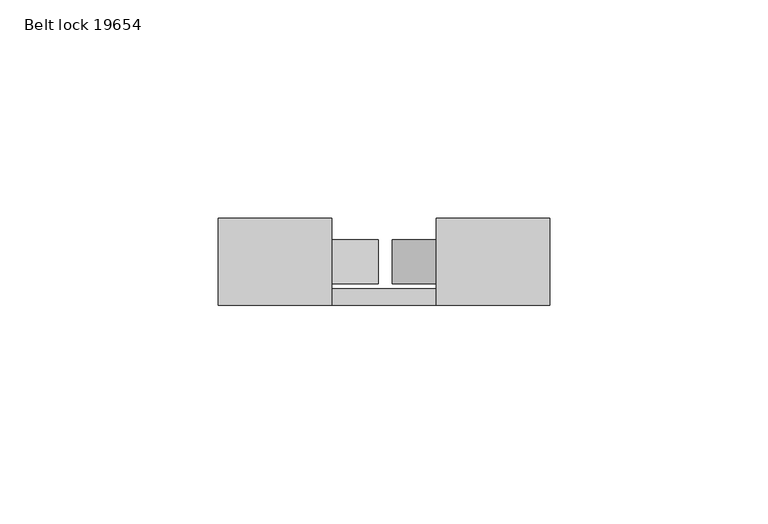
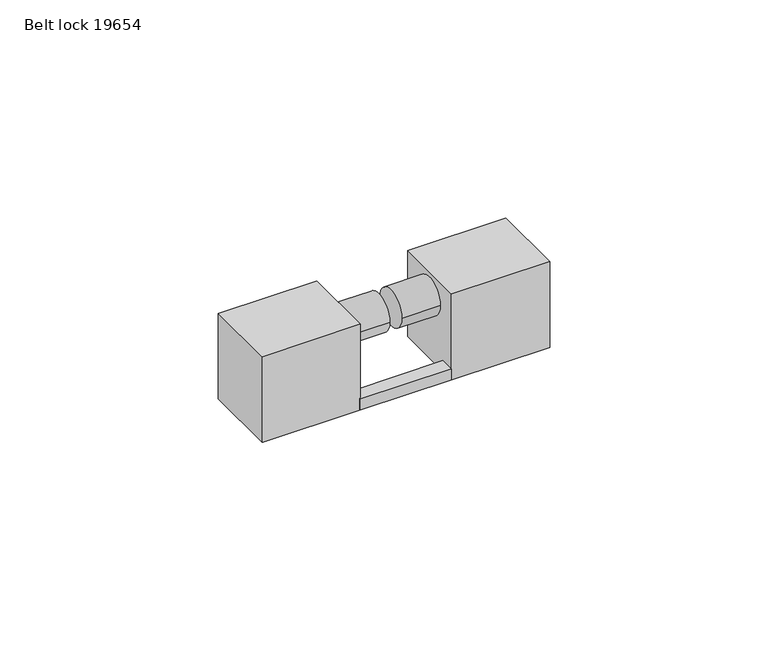
"""IFC4 building model written with IfcOpenShell, lengths in millimetres: proxy geometry, Belt lock 19654."""

import ifcopenshell
import ifcopenshell.guid

model = None  # the IFC model being written
_history = None  # IfcOwnerHistory: only IFC2X3 demands one
_inside = {}  # id of a spatial element -> (the spatial element, [elements in it])
_under = {}  # id of a project, library or spatial element -> (it, [spatial elements below it])
_declared = {}  # id of a project -> (the project, [libraries it declares])
_typed = {}  # id of a type object -> (the type object, [elements of that type])
_made_of = {}  # id of a material, layer set ... -> (it, [elements and type objects made of it])


def new_model(schema):
    """Start an empty IFC model of exactly this schema.

    Asked for "IFC4X3", IfcOpenShell would pick the latest addendum, in which some entities
    have other attributes; the version numbers below select the first issue.
    IFC2X3 requires an IfcOwnerHistory on every rooted entity: one is made here for all.
    """
    global model, _history
    if schema == "IFC4X3":
        model = ifcopenshell.file(schema_version=(4, 3, 0, 0))
    else:
        model = ifcopenshell.file(schema=schema)
    _inside.clear()
    _under.clear()
    _declared.clear()
    _typed.clear()
    _made_of.clear()
    _history = None
    if model.schema == "IFC2X3":
        org = make("IfcOrganization", Name="unknown")
        user = make(
            "IfcPersonAndOrganization",
            ThePerson=make("IfcPerson", FamilyName="unknown"),
            TheOrganization=org,
        )
        app = make(
            "IfcApplication",
            ApplicationDeveloper=org,
            Version="unknown",
            ApplicationFullName="unknown",
            ApplicationIdentifier="unknown",
        )
        _history = make(
            "IfcOwnerHistory",
            OwningUser=user,
            OwningApplication=app,
            ChangeAction="ADDED",
            CreationDate=0,
        )
    return model


def make(cls, **values):
    """One entity of the class cls with the attributes given. An attribute that is None is left unset."""
    return model.create_entity(
        cls, **{name: value for name, value in values.items() if value is not None}
    )


def rooted(cls, **values):
    """An entity with a GlobalId (a new one), such as an element, a storey or a relation."""
    return make(cls, GlobalId=ifcopenshell.guid.new(), OwnerHistory=_history, **values)


def si_unit(unit_type, name, prefix=None):
    """IfcSIUnit, for example si_unit("LENGTHUNIT", "METRE", prefix="MILLI")."""
    return make("IfcSIUnit", UnitType=unit_type, Prefix=prefix, Name=name)


def assignment(units):
    """IfcUnitAssignment: the units of a project."""
    return None if units is None else make("IfcUnitAssignment", Units=units)


def point(xyz):
    """IfcCartesianPoint."""
    return None if xyz is None else make("IfcCartesianPoint", Coordinates=xyz)


def direction(xyz):
    """IfcDirection."""
    return None if xyz is None else make("IfcDirection", DirectionRatios=xyz)


def frame(location, z_axis=None, x_axis=None):
    """IfcAxis2Placement3D, a coordinate frame: its origin and axes. An axis left out is left unset."""
    return make(
        "IfcAxis2Placement3D",
        Location=point(location),
        Axis=direction(z_axis),
        RefDirection=direction(x_axis),
    )


def frame_2d(location, x_axis=None):
    """IfcAxis2Placement2D, a coordinate frame in the plane: its origin and x axis."""
    return make(
        "IfcAxis2Placement2D", Location=point(location), RefDirection=direction(x_axis)
    )


def origin():
    """The frame at (0, 0, 0) with its axes left unset."""
    return frame((0.0, 0.0, 0.0))


def place(relative_to, where):
    """IfcLocalPlacement: puts the frame where relative to a parent placement (None: the world)."""
    return make(
        "IfcLocalPlacement", PlacementRelTo=relative_to, RelativePlacement=where
    )


def context(
    kind, dimensions, precision=None, world=None, true_north=None, identifier=None
):
    """IfcGeometricRepresentationContext, for example the 3D "Model" context."""
    return make(
        "IfcGeometricRepresentationContext",
        ContextIdentifier=identifier,
        ContextType=kind,
        CoordinateSpaceDimension=dimensions,
        Precision=precision,
        WorldCoordinateSystem=world,
        TrueNorth=true_north,
    )


def project(units=None, contexts=None):
    """IfcProject with its units and contexts."""
    return rooted(
        "IfcProject",
        Name="project",
        RepresentationContexts=contexts,
        UnitsInContext=assignment(units),
    )


def spatial(cls, under=None, at=None, **own):
    """A site, building, storey or space (cls), placed at a placement, below another one or the project."""
    s = rooted(cls, ObjectPlacement=at, **own)
    if under is not None:
        _under.setdefault(under.id(), (under, []))[1].append(s)
    return s


def polyline(points):
    """IfcPolyline through the points."""
    return make("IfcPolyline", Points=[point(p) for p in points])


def circle_curve(where, radius):
    """IfcCircle in the frame where."""
    return make("IfcCircle", Position=where, Radius=radius)


def trimmed(basis, trim1, trim2, sense, master):
    """IfcTrimmedCurve: the piece of a basis curve between two trims."""
    return make(
        "IfcTrimmedCurve",
        BasisCurve=basis,
        Trim1=trim1,
        Trim2=trim2,
        SenseAgreement=sense,
        MasterRepresentation=master,
    )


def segment(curve, same_sense, transition):
    """IfcCompositeCurveSegment."""
    return make(
        "IfcCompositeCurveSegment",
        Transition=transition,
        SameSense=same_sense,
        ParentCurve=curve,
    )


def composite_curve(segments, self_intersect=None):
    """IfcCompositeCurve: segments joined end to end."""
    return make("IfcCompositeCurve", Segments=segments, SelfIntersect=self_intersect)


def outline(outer, holes=None, kind="AREA"):
    """IfcArbitraryClosedProfileDef: a profile drawn as a closed curve; with holes, ...WithVoids."""
    if holes is None:
        return make("IfcArbitraryClosedProfileDef", ProfileType=kind, OuterCurve=outer)
    return make(
        "IfcArbitraryProfileDefWithVoids",
        ProfileType=kind,
        OuterCurve=outer,
        InnerCurves=holes,
    )


def extrude(swept, where, along, depth):
    """IfcExtrudedAreaSolid: the profile swept, set in the frame where, extruded along a direction by depth."""
    return make(
        "IfcExtrudedAreaSolid",
        SweptArea=swept,
        Position=where,
        ExtrudedDirection=direction(along),
        Depth=depth,
    )


def shape(context_of_items, identifier, shape_type, items):
    """IfcShapeRepresentation: the items that make up one representation, for example the "Body"."""
    return make(
        "IfcShapeRepresentation",
        ContextOfItems=context_of_items,
        RepresentationIdentifier=identifier,
        RepresentationType=shape_type,
        Items=items,
    )


def source(mapping_origin, context_of_items, identifier, shape_type, items):
    """IfcRepresentationMap: a shape defined once, which mapped items show again and again."""
    return make(
        "IfcRepresentationMap",
        MappingOrigin=mapping_origin,
        MappedRepresentation=shape(context_of_items, identifier, shape_type, items),
    )


def transform(
    local_origin,
    x_axis=None,
    y_axis=None,
    z_axis=None,
    scale=None,
    scale2=None,
    scale3=None,
    uniform=True,
):
    """IfcCartesianTransformationOperator3D, or its non-uniform kind. x_axis, y_axis, z_axis: its Axis1, 2, 3."""
    if uniform:
        return make(
            "IfcCartesianTransformationOperator3D",
            Axis1=direction(x_axis),
            Axis2=direction(y_axis),
            LocalOrigin=point(local_origin),
            Scale=scale,
            Axis3=direction(z_axis),
        )
    return make(
        "IfcCartesianTransformationOperator3DnonUniform",
        Axis1=direction(x_axis),
        Axis2=direction(y_axis),
        LocalOrigin=point(local_origin),
        Scale=scale,
        Axis3=direction(z_axis),
        Scale2=scale2,
        Scale3=scale3,
    )


def mapped(mapping_source, mapping_target):
    """IfcMappedItem: shows the shape of a source again, moved by a transform."""
    return make(
        "IfcMappedItem", MappingSource=mapping_source, MappingTarget=mapping_target
    )


def made_of(thing, what):
    """Note that an element or type object is made of a material, layer set ...; save() writes the relation."""
    if what is not None:
        _made_of.setdefault(what.id(), (what, []))[1].append(thing)
    return thing


def element(
    cls,
    number,
    at=None,
    inside=None,
    cuts=None,
    type_object=None,
    material=None,
    context=None,
    identifier="Body",
    shape_type=None,
    held_by="IfcProductDefinitionShape",
    body=None,
    shapes=None,
    **own,
):
    """One element of the class cls, such as IfcWall. Its Tag is "e" and its number.

    at: its placement. inside: the storey or other place that contains it. cuts: it is an
    opening in that element (IfcRelVoidsElement). A single representation is given by context,
    identifier, shape_type and body (its items); several are given by shapes. held_by: the class
    of the entity that holds the representations. save() writes the other relations.
    """
    e = rooted(cls, Tag="e%d" % number, ObjectPlacement=at, **own)
    if body is not None:
        shapes = [shape(context, identifier, shape_type, body)]
    if shapes is not None:
        e.Representation = make(held_by, Representations=shapes)
    if inside is not None:
        _inside.setdefault(inside.id(), (inside, []))[1].append(e)
    if cuts is not None:
        rooted(
            "IfcRelVoidsElement", RelatingBuildingElement=cuts, RelatedOpeningElement=e
        )
    if type_object is not None:
        _typed.setdefault(type_object.id(), (type_object, []))[1].append(e)
    return made_of(e, material)


def aggregate(whole, parts):
    """IfcRelAggregates: a whole, such as a stair, and the parts it consists of."""
    return rooted("IfcRelAggregates", RelatingObject=whole, RelatedObjects=parts)


def save(model, path):
    """Write the relations noted so far, then the file.

    IfcRelAggregates (storeys below a building ...), IfcRelContainedInSpatialStructure (elements
    in a storey), IfcRelDefinesByType, IfcRelAssociatesMaterial and IfcRelDeclares: one each for
    every whole, place, type object, material and project.
    """
    for whole, parts in _under.values():
        aggregate(whole, parts)
    for where, things in _inside.values():
        rooted(
            "IfcRelContainedInSpatialStructure",
            RelatedElements=things,
            RelatingStructure=where,
        )
    for kind, things in _typed.values():
        rooted("IfcRelDefinesByType", RelatedObjects=things, RelatingType=kind)
    for what, things in _made_of.values():
        rooted("IfcRelAssociatesMaterial", RelatedObjects=things, RelatingMaterial=what)
    for by, libraries in _declared.values():
        rooted("IfcRelDeclares", RelatingContext=by, RelatedDefinitions=libraries)
    model.write(path)


def belt_lock_19654_8359d7c7(model_context):
    return source(origin(), model_context, "Body", "SweptSolid", [
        extrude(outline(polyline([(-5.25, -9.9968268), (-29.25, -9.9968268), (-29.25, -6.2267786), (-5.25, -6.2267786), (-5.25, -9.9968268)])), frame((0.0, 0.0, 1.0), z_axis=(0.0, 0.0, 1.0), x_axis=(1.0, 0.0, 0.0)), (0.0, 0.0, 1.0), 3.110035),
        extrude(outline(composite_curve([segment(trimmed(circle_curve(frame_2d((0.0, 18.7744097)), 5.0), [point((-5.0, 18.7744097))], [point((5.0, 18.7744097))], False, "CARTESIAN"), True, "CONTINUOUS"), segment(trimmed(circle_curve(frame_2d((0.0, 18.7744097)), 5.0), [point((5.0, 18.7744097))], [point((-5.0, 18.7744097))], False, "CARTESIAN"), True, "CONTINUOUS")], self_intersect=False)), frame((-15.4089191, 0.0, 0.0), z_axis=(1.0, 0.0, 0.0), x_axis=(0.0, 1.0, 0.0)), (0.0, 0.0, 1.0), 10.1589191),
        extrude(outline(composite_curve([segment(trimmed(circle_curve(frame_2d((0.0, 18.7744097)), 5.0), [point((-5.0, 18.7744097))], [point((5.0, 18.7744097))], False, "CARTESIAN"), True, "CONTINUOUS"), segment(trimmed(circle_curve(frame_2d((0.0, 18.7744097)), 5.0), [point((5.0, 18.7744097))], [point((-5.0, 18.7744097))], False, "CARTESIAN"), True, "CONTINUOUS")], self_intersect=False)), frame((-29.25, 0.0, 0.0), z_axis=(1.0, 0.0, 0.0), x_axis=(0.0, 1.0, 0.0)), (0.0, 0.0, 1.0), 10.6471626),
        extrude(outline(polyline([(20.75, -9.9968268), (-5.25, -9.9968268), (-5.25, 9.9968268), (20.75, 9.9968268), (20.75, -9.9968268)])), frame((0.0, 0.0, 1.0), z_axis=(0.0, 0.0, 1.0), x_axis=(1.0, 0.0, 0.0)), (0.0, 0.0, 1.0), 24.0),
        extrude(outline(polyline([(-29.25, -9.9968268), (-55.25, -9.9968268), (-55.25, 9.9968268), (-29.25, 9.9968268), (-29.25, -9.9968268)])), frame((0.0, 0.0, 1.0), z_axis=(0.0, 0.0, 1.0), x_axis=(1.0, 0.0, 0.0)), (0.0, 0.0, 1.0), 24.0),
    ])


if __name__ == "__main__":
    model = new_model("IFC4")
    model_context = context("Model", 3, world=origin())
    ifc_project = project(units=[si_unit("LENGTHUNIT", "METRE", prefix="MILLI")], contexts=[model_context])
    site = spatial("IfcSite", under=ifc_project)
    building = spatial("IfcBuilding", under=site)
    placement = place(None, origin())
    belt_lock_19654_shape = belt_lock_19654_8359d7c7(model_context)
    element("IfcBuildingElementProxy", 1, Name="Belt lock 19654", ObjectType="Belt lock 19654", at=placement, inside=building, context=model_context, shape_type="MappedRepresentation", body=[
        mapped(belt_lock_19654_shape, transform((0.0, 0.0, 0.0), x_axis=(1.0, 0.0, 0.0), y_axis=(0.0, 1.0, 0.0), z_axis=(0.0, 0.0, 1.0))),
    ])
    save(model, "model.ifc")
